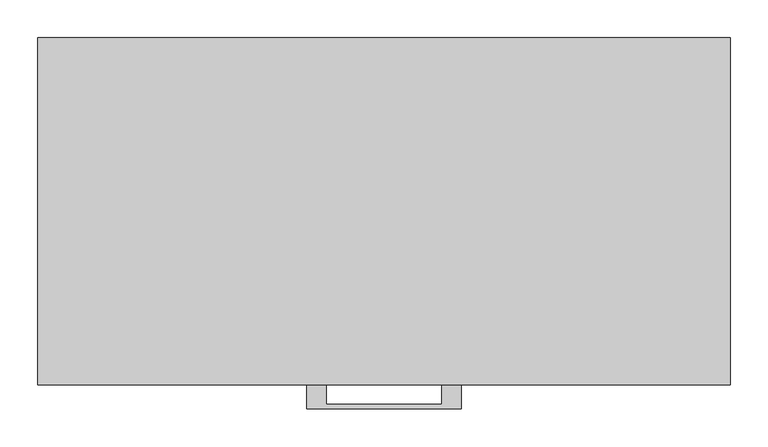
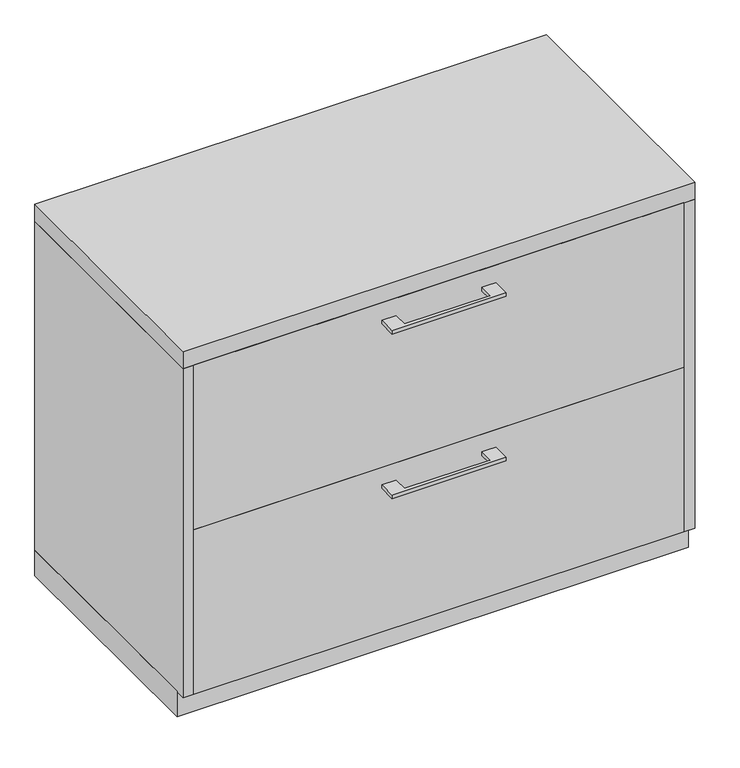
"""IFC4 building model written with IfcOpenShell, lengths in millimetres: furniture geometry."""

import ifcopenshell
import ifcopenshell.guid

model = None  # the IFC model being written
_history = None  # IfcOwnerHistory: only IFC2X3 demands one
_inside = {}  # id of a spatial element -> (the spatial element, [elements in it])
_under = {}  # id of a project, library or spatial element -> (it, [spatial elements below it])
_declared = {}  # id of a project -> (the project, [libraries it declares])
_typed = {}  # id of a type object -> (the type object, [elements of that type])
_made_of = {}  # id of a material, layer set ... -> (it, [elements and type objects made of it])


def new_model(schema):
    """Start an empty IFC model of exactly this schema.

    Asked for "IFC4X3", IfcOpenShell would pick the latest addendum, in which some entities
    have other attributes; the version numbers below select the first issue.
    IFC2X3 requires an IfcOwnerHistory on every rooted entity: one is made here for all.
    """
    global model, _history
    if schema == "IFC4X3":
        model = ifcopenshell.file(schema_version=(4, 3, 0, 0))
    else:
        model = ifcopenshell.file(schema=schema)
    _inside.clear()
    _under.clear()
    _declared.clear()
    _typed.clear()
    _made_of.clear()
    _history = None
    if model.schema == "IFC2X3":
        org = make("IfcOrganization", Name="unknown")
        user = make(
            "IfcPersonAndOrganization",
            ThePerson=make("IfcPerson", FamilyName="unknown"),
            TheOrganization=org,
        )
        app = make(
            "IfcApplication",
            ApplicationDeveloper=org,
            Version="unknown",
            ApplicationFullName="unknown",
            ApplicationIdentifier="unknown",
        )
        _history = make(
            "IfcOwnerHistory",
            OwningUser=user,
            OwningApplication=app,
            ChangeAction="ADDED",
            CreationDate=0,
        )
    return model


def make(cls, **values):
    """One entity of the class cls with the attributes given. An attribute that is None is left unset."""
    return model.create_entity(
        cls, **{name: value for name, value in values.items() if value is not None}
    )


def rooted(cls, **values):
    """An entity with a GlobalId (a new one), such as an element, a storey or a relation."""
    return make(cls, GlobalId=ifcopenshell.guid.new(), OwnerHistory=_history, **values)


def si_unit(unit_type, name, prefix=None):
    """IfcSIUnit, for example si_unit("LENGTHUNIT", "METRE", prefix="MILLI")."""
    return make("IfcSIUnit", UnitType=unit_type, Prefix=prefix, Name=name)


def assignment(units):
    """IfcUnitAssignment: the units of a project."""
    return None if units is None else make("IfcUnitAssignment", Units=units)


def point(xyz):
    """IfcCartesianPoint."""
    return None if xyz is None else make("IfcCartesianPoint", Coordinates=xyz)


def direction(xyz):
    """IfcDirection."""
    return None if xyz is None else make("IfcDirection", DirectionRatios=xyz)


def frame(location, z_axis=None, x_axis=None):
    """IfcAxis2Placement3D, a coordinate frame: its origin and axes. An axis left out is left unset."""
    return make(
        "IfcAxis2Placement3D",
        Location=point(location),
        Axis=direction(z_axis),
        RefDirection=direction(x_axis),
    )


def origin():
    """The frame at (0, 0, 0) with its axes left unset."""
    return frame((0.0, 0.0, 0.0))


def origin_with_axes():
    """The frame at (0, 0, 0) with the z axis (0, 0, 1) and the x axis (1, 0, 0) written out."""
    return frame((0.0, 0.0, 0.0), z_axis=(0.0, 0.0, 1.0), x_axis=(1.0, 0.0, 0.0))


def place(relative_to, where):
    """IfcLocalPlacement: puts the frame where relative to a parent placement (None: the world)."""
    return make(
        "IfcLocalPlacement", PlacementRelTo=relative_to, RelativePlacement=where
    )


def context(
    kind, dimensions, precision=None, world=None, true_north=None, identifier=None
):
    """IfcGeometricRepresentationContext, for example the 3D "Model" context."""
    return make(
        "IfcGeometricRepresentationContext",
        ContextIdentifier=identifier,
        ContextType=kind,
        CoordinateSpaceDimension=dimensions,
        Precision=precision,
        WorldCoordinateSystem=world,
        TrueNorth=true_north,
    )


def project(units=None, contexts=None):
    """IfcProject with its units and contexts."""
    return rooted(
        "IfcProject",
        Name="project",
        RepresentationContexts=contexts,
        UnitsInContext=assignment(units),
    )


def spatial(cls, under=None, at=None, **own):
    """A site, building, storey or space (cls), placed at a placement, below another one or the project."""
    s = rooted(cls, ObjectPlacement=at, **own)
    if under is not None:
        _under.setdefault(under.id(), (under, []))[1].append(s)
    return s


def polyline(points):
    """IfcPolyline through the points."""
    return make("IfcPolyline", Points=[point(p) for p in points])


def outline(outer, holes=None, kind="AREA"):
    """IfcArbitraryClosedProfileDef: a profile drawn as a closed curve; with holes, ...WithVoids."""
    if holes is None:
        return make("IfcArbitraryClosedProfileDef", ProfileType=kind, OuterCurve=outer)
    return make(
        "IfcArbitraryProfileDefWithVoids",
        ProfileType=kind,
        OuterCurve=outer,
        InnerCurves=holes,
    )


def extrude(swept, where, along, depth):
    """IfcExtrudedAreaSolid: the profile swept, set in the frame where, extruded along a direction by depth."""
    return make(
        "IfcExtrudedAreaSolid",
        SweptArea=swept,
        Position=where,
        ExtrudedDirection=direction(along),
        Depth=depth,
    )


def shape(context_of_items, identifier, shape_type, items):
    """IfcShapeRepresentation: the items that make up one representation, for example the "Body"."""
    return make(
        "IfcShapeRepresentation",
        ContextOfItems=context_of_items,
        RepresentationIdentifier=identifier,
        RepresentationType=shape_type,
        Items=items,
    )


def source(mapping_origin, context_of_items, identifier, shape_type, items):
    """IfcRepresentationMap: a shape defined once, which mapped items show again and again."""
    return make(
        "IfcRepresentationMap",
        MappingOrigin=mapping_origin,
        MappedRepresentation=shape(context_of_items, identifier, shape_type, items),
    )


def transform(
    local_origin,
    x_axis=None,
    y_axis=None,
    z_axis=None,
    scale=None,
    scale2=None,
    scale3=None,
    uniform=True,
):
    """IfcCartesianTransformationOperator3D, or its non-uniform kind. x_axis, y_axis, z_axis: its Axis1, 2, 3."""
    if uniform:
        return make(
            "IfcCartesianTransformationOperator3D",
            Axis1=direction(x_axis),
            Axis2=direction(y_axis),
            LocalOrigin=point(local_origin),
            Scale=scale,
            Axis3=direction(z_axis),
        )
    return make(
        "IfcCartesianTransformationOperator3DnonUniform",
        Axis1=direction(x_axis),
        Axis2=direction(y_axis),
        LocalOrigin=point(local_origin),
        Scale=scale,
        Axis3=direction(z_axis),
        Scale2=scale2,
        Scale3=scale3,
    )


def mapped(mapping_source, mapping_target):
    """IfcMappedItem: shows the shape of a source again, moved by a transform."""
    return make(
        "IfcMappedItem", MappingSource=mapping_source, MappingTarget=mapping_target
    )


def made_of(thing, what):
    """Note that an element or type object is made of a material, layer set ...; save() writes the relation."""
    if what is not None:
        _made_of.setdefault(what.id(), (what, []))[1].append(thing)
    return thing


def element(
    cls,
    number,
    at=None,
    inside=None,
    cuts=None,
    type_object=None,
    material=None,
    context=None,
    identifier="Body",
    shape_type=None,
    held_by="IfcProductDefinitionShape",
    body=None,
    shapes=None,
    **own,
):
    """One element of the class cls, such as IfcWall. Its Tag is "e" and its number.

    at: its placement. inside: the storey or other place that contains it. cuts: it is an
    opening in that element (IfcRelVoidsElement). A single representation is given by context,
    identifier, shape_type and body (its items); several are given by shapes. held_by: the class
    of the entity that holds the representations. save() writes the other relations.
    """
    e = rooted(cls, Tag="e%d" % number, ObjectPlacement=at, **own)
    if body is not None:
        shapes = [shape(context, identifier, shape_type, body)]
    if shapes is not None:
        e.Representation = make(held_by, Representations=shapes)
    if inside is not None:
        _inside.setdefault(inside.id(), (inside, []))[1].append(e)
    if cuts is not None:
        rooted(
            "IfcRelVoidsElement", RelatingBuildingElement=cuts, RelatedOpeningElement=e
        )
    if type_object is not None:
        _typed.setdefault(type_object.id(), (type_object, []))[1].append(e)
    return made_of(e, material)


def aggregate(whole, parts):
    """IfcRelAggregates: a whole, such as a stair, and the parts it consists of."""
    return rooted("IfcRelAggregates", RelatingObject=whole, RelatedObjects=parts)


def save(model, path):
    """Write the relations noted so far, then the file.

    IfcRelAggregates (storeys below a building ...), IfcRelContainedInSpatialStructure (elements
    in a storey), IfcRelDefinesByType, IfcRelAssociatesMaterial and IfcRelDeclares: one each for
    every whole, place, type object, material and project.
    """
    for whole, parts in _under.values():
        aggregate(whole, parts)
    for where, things in _inside.values():
        rooted(
            "IfcRelContainedInSpatialStructure",
            RelatedElements=things,
            RelatingStructure=where,
        )
    for kind, things in _typed.values():
        rooted("IfcRelDefinesByType", RelatedObjects=things, RelatingType=kind)
    for what, things in _made_of.values():
        rooted("IfcRelAssociatesMaterial", RelatedObjects=things, RelatingMaterial=what)
    for by, libraries in _declared.values():
        rooted("IfcRelDeclares", RelatingContext=by, RelatedDefinitions=libraries)
    model.write(path)


def furniture_0b32d4e8(model_context):
    return source(origin(), model_context, "Body", "SweptSolid", [
        extrude(outline(polyline([(-76.1999818, -457.2), (-76.1999818, -482.5999758), (76.2, -482.5999758), (76.2, -457.2), (101.5999939, -457.2), (101.5999939, -488.9499879), (-101.5999939, -488.9499879), (-101.5999939, -457.2), (-76.1999818, -457.2)])), frame((0.0, 0.0, 627.0625506), z_axis=(0.0, 0.0, 1.0), x_axis=(1.0, 0.0, 0.0)), (0.0, 0.0, 1.0), 6.3499758),
        extrude(outline(polyline([(436.5625, -438.15), (436.5625, -457.2), (-436.5625, -457.2), (-436.5625, -438.15), (436.5625, -438.15)])), frame((0.0, 0.0, 357.1875), z_axis=(0.0, 0.0, 1.0), x_axis=(1.0, 0.0, 0.0)), (0.0, 0.0, 1.0), 309.5625),
        extrude(outline(polyline([(-76.1999818, -457.2), (-76.1999818, -482.5999758), (76.2, -482.5999758), (76.2, -457.2), (101.5999939, -457.2), (101.5999939, -488.9499879), (-101.5999939, -488.9499879), (-101.5999939, -457.2), (-76.1999818, -457.2)])), frame((0.0, 0.0, 627.0625506), z_axis=(0.0, 0.0, 1.0), x_axis=(1.0, 0.0, 0.0)), (0.0, 0.0, 1.0), 6.3499758),
        extrude(outline(polyline([(436.5625, -438.15), (436.5625, -457.2), (-436.5625, -457.2), (-436.5625, -438.15), (436.5625, -438.15)])), frame((0.0, 0.0, 357.1875), z_axis=(0.0, 0.0, 1.0), x_axis=(1.0, 0.0, 0.0)), (0.0, 0.0, 1.0), 309.5625),
        extrude(outline(polyline([(-76.1999818, -457.2), (-76.1999818, -482.5999758), (76.2, -482.5999758), (76.2, -457.2), (101.5999939, -457.2), (101.5999939, -488.9499879), (-101.5999939, -488.9499879), (-101.5999939, -457.2), (-76.1999818, -457.2)])), frame((0.0, 0.0, 317.5000506), z_axis=(0.0, 0.0, 1.0), x_axis=(1.0, 0.0, 0.0)), (0.0, 0.0, 1.0), 6.3499758),
        extrude(outline(polyline([(436.5625, -438.15), (436.5625, -457.2), (-436.5625, -457.2), (-436.5625, -438.15), (436.5625, -438.15)])), frame((0.0, 0.0, 47.625), z_axis=(0.0, 0.0, 1.0), x_axis=(1.0, 0.0, 0.0)), (0.0, 0.0, 1.0), 309.5625),
        extrude(outline(polyline([(455.6125, 0.0), (455.6125, -438.15), (-455.6125, -438.15), (-455.6125, 0.0), (455.6125, 0.0)])), origin_with_axes(), (0.0, 0.0, 1.0), 47.625),
        extrude(outline(polyline([(455.6125, 0.0), (455.6125, -457.2), (-455.6125, -457.2), (-455.6125, 0.0), (455.6125, 0.0)])), frame((0.0, 0.0, 666.75), z_axis=(0.0, 0.0, 1.0), x_axis=(1.0, 0.0, 0.0)), (0.0, 0.0, 1.0), 31.75),
        extrude(outline(polyline([(455.6125, 0.0), (455.6125, -457.2), (436.5625, -457.2), (436.5625, -19.05), (-436.5625, -19.05), (-436.5625, -457.2), (-455.6125, -457.2), (-455.6125, 0.0), (455.6125, 0.0)])), frame((0.0, 0.0, 47.625), z_axis=(0.0, 0.0, 1.0), x_axis=(1.0, 0.0, 0.0)), (0.0, 0.0, 1.0), 619.125),
    ])


if __name__ == "__main__":
    model = new_model("IFC4")
    model_context = context("Model", 3, world=origin())
    ifc_project = project(units=[si_unit("LENGTHUNIT", "METRE", prefix="MILLI")], contexts=[model_context])
    site = spatial("IfcSite", under=ifc_project)
    building = spatial("IfcBuilding", under=site)
    placement = place(None, origin())
    furniture_shape = furniture_0b32d4e8(model_context)
    element("IfcFurniture", 1, at=placement, inside=building, context=model_context, shape_type="MappedRepresentation", body=[
        mapped(furniture_shape, transform((0.0, 0.0, 0.0), x_axis=(1.0, 0.0, 0.0), y_axis=(0.0, 1.0, 0.0), z_axis=(0.0, 0.0, 1.0))),
    ])
    save(model, "model.ifc")
